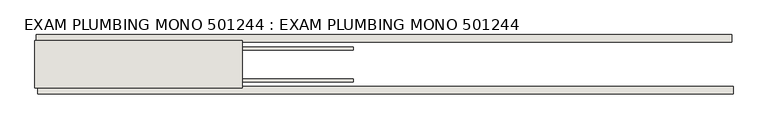
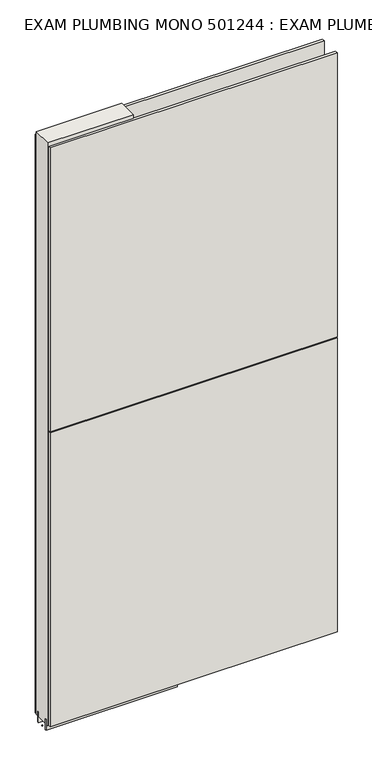
"""IFC4 building model written with IfcOpenShell, lengths in millimetres: wall geometry, EXAM PLUMBING MONO 501244 : EXAM PLUMBING MONO 501244."""

from ifc_helpers import new_model, si_unit, frame, origin, place, context, project, spatial, polyline, outline, extrude, source, transform, mapped, element, save


def exam_plumbing_mono_501244_exam_plumbing_mono_501244_82f99eeb(model_context):
    return source(origin(), model_context, "Body", "SweptSolid", [
        extrude(outline(polyline([(46847.8493064, -53342.677668), (46845.3093064, -53342.677668), (46845.3093064, -53340.137668), (46847.8493064, -53340.137668), (46847.8493064, -53342.677668)])), frame((0.0, 0.0, 4419.6), z_axis=(0.0, 0.0, 1.0), x_axis=(1.0, 0.0, 0.0)), (0.0, 0.0, 1.0), 2.54),
        extrude(outline(polyline([(46847.3121091, -53290.607668), (48040.8123129, -53290.607668), (48040.8123129, -53303.307668), (46847.3121091, -53303.307668), (46847.3121091, -53290.607668)])), frame((0.0, 0.0, 4445.0), z_axis=(0.0, 0.0, 1.0), x_axis=(1.0, 0.0, 0.0)), (0.0, 0.0, 1.0), 2545.0498756),
        extrude(outline(polyline([(48043.2741825, -53392.207668), (46849.7739787, -53392.207668), (46849.7739787, -53379.507668), (48043.2741825, -53379.507668), (48043.2741825, -53392.207668)])), frame((0.0, 0.0, 4445.0), z_axis=(0.0, 0.0, 1.0), x_axis=(1.0, 0.0, 0.0)), (0.0, 0.0, 1.0), 1293.400004),
        extrude(outline(polyline([(48043.2741825, -53392.207668), (46849.7739787, -53392.207668), (46849.7739787, -53379.507668), (48043.2741825, -53379.507668), (48043.2741825, -53392.207668)])), frame((0.0, 0.0, 5742.4000722), z_axis=(0.0, 0.0, 1.0), x_axis=(1.0, 0.0, 0.0)), (0.0, 0.0, 1.0), 1247.649905),
        extrude(outline(polyline([(47391.420457, -53316.330121), (46845.320457, -53316.330121), (46845.320457, -53311.245168), (47391.420457, -53311.245168), (47391.420457, -53316.330121)])), frame((0.0, 0.0, 4418.6602), z_axis=(0.0, 0.0, 1.0), x_axis=(1.0, 0.0, 0.0)), (0.0, 0.0, 1.0), 47.625),
        extrude(outline(polyline([(47391.420457, -53316.330121), (46845.320457, -53316.330121), (46845.320457, -53311.245168), (47391.420457, -53311.245168), (47391.420457, -53316.330121)])), frame((0.0, 0.0, 4418.6602), z_axis=(0.0, 0.0, 1.0), x_axis=(1.0, 0.0, 0.0)), (0.0, 0.0, 1.0), 47.625),
        extrude(outline(polyline([(46845.320457, -53366.4914126), (47391.420457, -53366.4914126), (47391.420457, -53371.570168), (46845.320457, -53371.570168), (46845.320457, -53366.4914126)])), frame((0.0, 0.0, 4418.6602), z_axis=(0.0, 0.0, 1.0), x_axis=(1.0, 0.0, 0.0)), (0.0, 0.0, 1.0), 47.625),
        extrude(outline(polyline([(46845.320457, -53366.4914126), (47391.420457, -53366.4914126), (47391.420457, -53371.570168), (46845.320457, -53371.570168), (46845.320457, -53366.4914126)])), frame((0.0, 0.0, 4418.6602), z_axis=(0.0, 0.0, 1.0), x_axis=(1.0, 0.0, 0.0)), (0.0, 0.0, 1.0), 47.625),
        extrude(outline(polyline([(47200.920457, -53300.7589812), (47200.920457, -53382.0625524), (46845.320457, -53382.0625524), (46845.320457, -53300.7589812), (47200.920457, -53300.7589812)])), frame((0.0, 0.0, 4445.0), z_axis=(0.0, 0.0, 1.0), x_axis=(1.0, 0.0, 0.0)), (0.0, 0.0, 1.0), 2562.4536762),
    ])


if __name__ == "__main__":
    model = new_model("IFC4")
    model_context = context("Model", 3, world=origin())
    ifc_project = project(units=[si_unit("LENGTHUNIT", "METRE", prefix="MILLI")], contexts=[model_context])
    site = spatial("IfcSite", under=ifc_project)
    building = spatial("IfcBuilding", under=site)
    placement = place(None, origin())
    exam_plumbing_mono_501244_exam_plumbing_mono_501244_shape = exam_plumbing_mono_501244_exam_plumbing_mono_501244_82f99eeb(model_context)
    element("IfcWall", 1, ObjectType="EXAM PLUMBING MONO 501244 : EXAM PLUMBING MONO 501244", at=placement, inside=building, context=model_context, shape_type="MappedRepresentation", body=[
        mapped(exam_plumbing_mono_501244_exam_plumbing_mono_501244_shape, transform((0.0, 0.0, 0.0), x_axis=(1.0, 0.0, 0.0), y_axis=(0.0, 1.0, 0.0), z_axis=(0.0, 0.0, 1.0))),
    ])
    save(model, "model.ifc")
